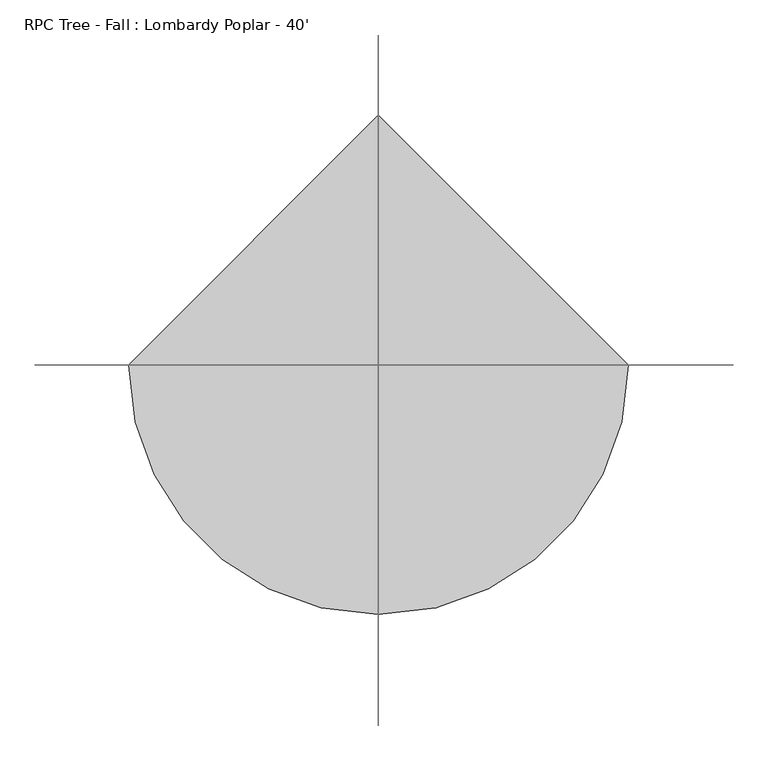
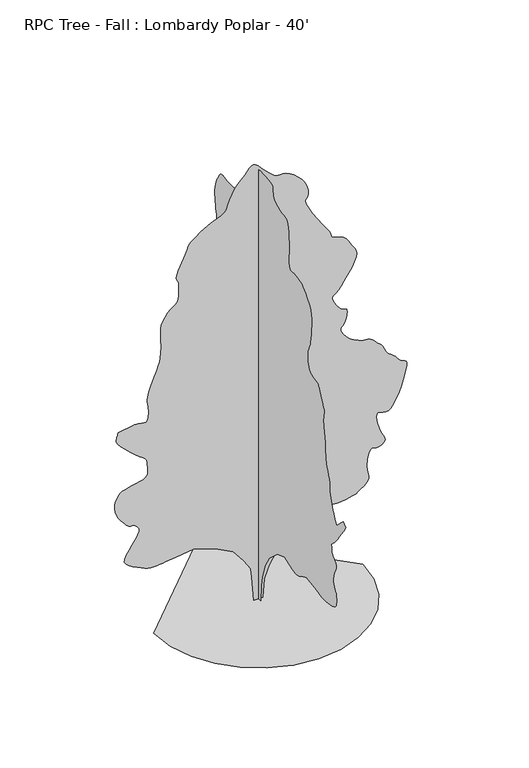
"""IFC4 building model written with IfcOpenShell, lengths in millimetres: geographic element geometry, RPC Tree - Fall : Lombardy Poplar - 40'."""

from ifc_helpers import new_model, si_unit, origin, place, context, project, spatial, triangles, source, transform, mapped, element, save


def rpc_tree_fall_lombardy_poplar_40_01077960(model_context):
    return source(origin(), model_context, "Body", "Tessellation", [
        triangles([(0.0009695, 113.8156909, 0.0), (0.0009695, -104.8345258, 0.0), (0.0009695, -123.055434, 437.3009239), (0.0009695, -177.7179314, 728.8340738), (0.0009695, -323.483707, 1129.6911467), (0.0009695, -505.6928613, 1439.4461494), (0.0009695, -870.1086628, 1767.420607), (0.0009695, -1216.3049732, 1894.9664555), (0.0009695, -1398.5142002, 1822.0838402), (0.0009695, -1476.390406, 1795.1523445), (0.0009695, -1552.9941605, 1770.6083485), (0.0009695, -1627.0451637, 1750.8472), (0.0009695, -1697.2735806, 1738.2588696), (0.0009695, -1762.3991112, 1735.2286766), (0.0009695, -1821.1516296, 1744.1542946), (0.0009695, -1872.2563591, 1767.420607), (0.0009695, -1919.1091679, 1797.0624023), (0.0009695, -1965.9644474, 1823.8364948), (0.0009695, -2012.8172562, 1848.2204716), (0.0009695, -2059.6700649, 1870.6891582), (0.0009695, -2106.5227283, 1891.7279903), (0.0009695, -2153.3780079, 1911.8067066), (0.0009695, -2200.2308167, 1931.4103065), (0.0009695, -2582.8711235, 1876.7470734), (0.0009695, -2649.2156204, 1861.2353748), (0.0009695, -2715.4080917, 1846.3611374), (0.0009695, -2781.27006, 1832.7619675), (0.0009695, -2846.6750793, 1821.0754715), (0.0009695, -2911.4196739, 1811.9366398), (0.0009695, -2975.3765259, 1805.987875), (0.0009695, -3038.3939003, 1803.8619873), (0.0009695, -3111.6472778, 1806.252103), (0.0009695, -3200.5217949, 1814.0625275), (0.0009695, -3296.0764275, 1828.2459641), (0.0009695, -3389.4213112, 1849.7596218), (0.0009695, -3471.5901329, 1879.5614365), (0.0009695, -3533.6930283, 1918.6062916), (0.0009695, -3566.7892639, 1967.8516869), (0.0009695, -3579.2353065, 2021.4507408), (0.0009695, -3585.9154221, 2073.1371208), (0.0009695, -3587.8205383, 2123.2333363), (0.0009695, -3585.9154221, 2172.0521587), (0.0009695, -3581.1401321, 2219.915807), (0.0009695, -3574.4347275, 2267.139378), (0.0009695, -3566.7892639, 2314.0455265), (0.0009695, -3532.0422569, 2353.5170998), (0.0009695, -3499.7078934, 2395.5361919), (0.0009695, -3472.1235306, 2442.6555542), (0.0009695, -3451.7273918, 2497.4231415), (0.0009695, -3440.907122, 2562.3988266), (0.0009695, -3441.9992065, 2640.0972816), (0.0009695, -3457.4677391, 2733.1372421), (0.0009695, -3484.5187042, 2825.1865654), (0.0009695, -3515.3799019, 2900.6752716), (0.0009695, -3544.9708282, 2963.0830902), (0.0009695, -3568.1862717, 3015.940329), (0.0009695, -3579.9210205, 3062.7525879), (0.0009695, -3575.0695724, 3106.9993057), (0.0009695, -3548.5775848, 3152.2110809), (0.0009695, -3509.7918709, 3193.1050964), (0.0009695, -3472.6063499, 3225.0836678), (0.0009695, -3438.6212151, 3252.6171616), (0.0009695, -3409.3857903, 3280.1253662), (0.0009695, -3386.5511375, 3312.1039375), (0.0009695, -3371.6668716, 3352.997953), (0.0009695, -3366.3581841, 3407.3030685), (0.0009695, -3362.7005585, 3460.5158089), (0.0009695, -3354.9027786, 3498.4634926), (0.0009695, -3347.7145546, 3525.8699593), (0.0009695, -3345.9620453, 3547.5360786), (0.0009695, -3354.4202499, 3568.2624298), (0.0009695, -3377.8388786, 3592.7987228), (0.0009695, -3421.0188011, 3625.9458275), (0.0009695, -3481.5215034, 3679.8698616), (0.0009695, -3552.5654228, 3760.5655174), (0.0009695, -3632.3465996, 3863.5624283), (0.0009695, -3719.1381042, 3984.4155167), (0.0009695, -3811.2130074, 4118.6541252), (0.0009695, -3906.7676399, 4261.8084686), (0.0009695, -4004.1003616, 4409.432888), (0.0009695, -3894.7788368, 4518.779702), (0.0009695, -3749.0086647, 4391.221209), (0.0009695, -3603.2382019, 4227.2390671), (0.0009695, -3579.7434151, 4258.785688), (0.0009695, -3555.9689941, 4292.2630051), (0.0009695, -3531.5088593, 4329.5499733), (0.0009695, -3506.1342453, 4372.5775795), (0.0009695, -3479.4643616, 4423.2506493), (0.0009695, -3451.1939941, 4483.4992973), (0.0009695, -3421.0188011, 4555.2033508), (0.0009695, -3390.0055779, 4628.5837555), (0.0009695, -3360.2623352, 4695.8683113), (0.0009695, -3333.0587631, 4762.2383881), (0.0009695, -3309.6910034, 4832.7233299), (0.0009695, -3291.4028755, 4912.4536377), (0.0009695, -3279.5158104, 5006.5351044), (0.0009695, -3275.248629, 5120.0473618), (0.0009695, -3267.0697678, 5234.8554703), (0.0009695, -3245.5050957, 5333.3820145), (0.0009695, -3215.0252701, 5421.7481323), (0.0009695, -3180.0747871, 5505.9238083), (0.0009695, -3145.0993057, 5592.0551788), (0.0009695, -3114.6191895, 5686.1110657), (0.0009695, -3093.0545174, 5794.238768), (0.0009695, -3079.5672592, 5892.1298859), (0.0009695, -3069.8899429, 5959.4403122), (0.0009695, -3063.4130127, 6007.9286316), (0.0009695, -3059.4760437, 6049.4319122), (0.0009695, -3057.4691895, 6095.6854843), (0.0009695, -3056.7073174, 6158.5246719), (0.0009695, -3056.6055794, 6249.735965), (0.0009695, -3052.5671631, 6343.1320084), (0.0009695, -3042.1532639, 6412.2958099), (0.0009695, -3027.9291321, 6468.709227), (0.0009695, -3012.4097305, 6523.8523727), (0.0009695, -2998.1858894, 6589.2065231), (0.0009695, -2987.7716995, 6676.2017944), (0.0009695, -2983.7332832, 6796.3688782), (0.0009695, -2989.2957344, 6908.7381821), (0.0009695, -3001.5638809, 6976.78461), (0.0009695, -3013.8576073, 7018.6948425), (0.0009695, -3019.4200584, 7052.6288177), (0.0009695, -3011.6222786, 7096.7737976), (0.0009695, -2983.7332832, 7169.2908829), (0.0009695, -2929.0723755, 7288.340593), (0.0009695, -2866.7410057, 7418.1088348), (0.0009695, -2818.7857933, 7514.4256302), (0.0009695, -2782.7688057, 7582.8528488), (0.0009695, -2756.3021072, 7628.9541046), (0.0009695, -2737.0233421, 7658.3418457), (0.0009695, -2722.5201576, 7676.5535248), (0.0009695, -2710.4043274, 7689.2027527), (0.0009695, -2636.5666832, 7701.2421341), (0.0009695, -2564.8117607, 7715.3901077), (0.0009695, -2497.1818771, 7733.6523651), (0.0009695, -2435.7748695, 7758.1380798), (0.0009695, -2382.6507866, 7790.9296829), (0.0009695, -2339.8900246, 7834.0584457), (0.0009695, -2309.5548122, 7889.6335419), (0.0009695, -2289.3160767, 7951.0257248), (0.0009695, -2274.8152176, 8010.5377899), (0.0009695, -2265.0921192, 8068.4243729), (0.0009695, -2259.1968395, 8125.0662643), (0.0009695, -2256.1691174, 8180.7425171), (0.0009695, -2255.0515984, 8235.7589264), (0.0009695, -2254.8940498, 8290.4707031), (0.0009695, -2285.970932, 8345.7405853), (0.0009695, -2316.0901691, 8404.491069), (0.0009695, -2344.2968777, 8470.25159), (0.0009695, -2369.6358833, 8546.5277481), (0.0009695, -2391.1521572, 8636.8495605), (0.0009695, -2407.8857288, 8744.6726303), (0.0009695, -2418.8812786, 8873.551973), (0.0009695, -2430.0903328, 9004.9206985), (0.0009695, -2443.8493767, 9121.3031296), (0.0009695, -2453.7833633, 9227.8303482), (0.0009695, -2453.5168098, 9329.5572784), (0.0009695, -2436.6765587, 9431.5888412), (0.0009695, -2396.8874176, 9539.0561188), (0.0009695, -2327.7766651, 9657.0390335), (0.0009695, -2247.8811058, 9768.2398041), (0.0009695, -2177.228587, 9854.8798645), (0.0009695, -2111.6764835, 9921.4269653), (0.0009695, -2047.0792637, 9972.3796692), (0.0009695, -1979.2969185, 10012.156311), (0.0009695, -1904.1815907, 10045.2519653), (0.0009695, -1817.5931259, 10076.1128723), (0.0009695, -1725.5334835, 10094.8326599), (0.0009695, -1638.891679, 10096.3058258), (0.0009695, -1560.8554539, 10092.3688568), (0.0009695, -1494.6124043, 10094.8326599), (0.0009695, -1443.3501263, 10115.4325653), (0.0009695, -1410.2540359, 10166.0038971), (0.0009695, -1398.5142002, 10258.3319824), (0.0009695, -1400.4267288, 10362.6756134), (0.0009695, -1404.8895378, 10448.1971375), (0.0009695, -1409.9898079, 10525.1087219), (0.0009695, -1413.8125397, 10603.619046), (0.0009695, -1414.4501461, 10693.9414398), (0.0009695, -1409.9898079, 10806.2345856), (0.0009695, -1398.5142002, 10950.7350677), (0.0009695, -1382.6849339, 11097.4458801), (0.0009695, -1365.5779839, 11211.9737732), (0.0009695, -1345.9235149, 11297.8255096), (0.0009695, -1322.4438435, 11358.4811096), (0.0009695, -1293.8637566, 11397.4694275), (0.0009695, -1258.9083321, 11418.297226), (0.0009695, -1216.3049732, 11424.470105), (0.0009695, -1155.4822323, 11429.9813965), (0.0009695, -1073.3006933, 11446.3641174), (0.0009695, -979.6484882, 11473.2380585), (0.0009695, -884.3986336, 11510.3218414), (0.0009695, -797.4393339, 11557.2608368), (0.0009695, -728.6460766, 11613.8015717), (0.0009695, -687.9020519, 11679.5615112), (0.0009695, -672.8677952, 11749.3607391), (0.0009695, -668.0341513, 11816.289212), (0.0009695, -663.5180752, 11877.4785004), (0.0009695, -649.4413908, 11930.0811035), (0.0009695, -615.9210531, 11971.2041748), (0.0009695, -553.0790314, 11997.9757965), (0.0009695, -451.0296281, 12007.5263763), (0.0009695, -327.7864603, 12011.2087097), (0.0009695, -210.2816959, 12019.0070709), (0.0009695, -102.0189364, 12026.1694244), (0.0009695, -6.5056406, 12027.9216431), (0.0009695, 72.7523407, 12019.4895996), (0.0009695, 132.2489498, 11996.0700989), (0.0009695, 168.4781792, 11952.8657593), (0.0009695, 190.2581361, 11903.7920105), (0.0009695, 211.0820467, 11861.400412), (0.0009695, 234.4553475, 11819.0076508), (0.0009695, 263.8852554, 11769.9094849), (0.0009695, 302.8767344, 11707.4505066), (0.0009695, 354.9364746, 11624.9008942), (0.0009695, 423.5697126, 11515.57966), (0.0009695, 499.5867296, 11399.1204895), (0.0009695, 572.09851, 11297.9778259), (0.0009695, 642.0601553, 11209.5867096), (0.0009695, 710.4292379, 11131.3798553), (0.0009695, 778.1582434, 11060.8446259), (0.0009695, 846.2072874, 10995.3881561), (0.0009695, 915.531399, 10932.4978088), (0.0009695, 983.7404623, 10880.5556305), (0.0009695, 1048.444289, 10847.0786041), (0.0009695, 1110.5954372, 10828.282077), (0.0009695, 1171.1565662, 10820.3069824), (0.0009695, 1231.077618, 10819.3407623), (0.0009695, 1291.3160923, 10821.5766724), (0.0009695, 1352.8322502, 10823.1765747), (0.0009695, 1419.1287849, 10828.7646057), (0.0009695, 1490.5254444, 10841.0324615), (0.0009695, 1563.194846, 10853.3014801), (0.0009695, 1633.3164379, 10858.8639313), (0.0009695, 1697.0626923, 10851.0655701), (0.0009695, 1750.6084064, 10823.1765747), (0.0009695, 1790.1333195, 10768.5159576), (0.0009695, 1824.1844387, 10700.9526398), (0.0009695, 1861.7408672, 10636.2333344), (0.0009695, 1899.617189, 10570.5745514), (0.0009695, 1934.6234825, 10500.1404785), (0.0009695, 1963.5743317, 10421.0953033), (0.0009695, 1983.2847565, 10329.6299561), (0.0009695, 1990.5617832, 10221.8830444), (0.0009695, 1988.4357502, 10111.0130676), (0.0009695, 1982.4871307, 10010.9877777), (0.0009695, 1973.3507698, 9919.2433777), (0.0009695, 1961.6642738, 9833.2381622), (0.0009695, 1948.0651039, 9750.4350769), (0.0009695, 1933.1908665, 9668.2656738), (0.0009695, 1917.6791679, 9584.1667374), (0.0009695, 1914.3314072, 9505.3761978), (0.0009695, 1931.0649788, 9438.0663528), (0.0009695, 1961.1842159, 9378.0967575), (0.0009695, 1997.9989746, 9321.3025497), (0.0009695, 2034.813588, 9263.5682831), (0.0009695, 2064.9328251, 9200.7290955), (0.0009695, 2081.6663967, 9128.6439606), (0.0009695, 2081.1888096, 9058.6668365), (0.0009695, 2066.6854797, 9001.7964706), (0.0009695, 2041.9840805, 8953.1808334), (0.0009695, 2010.9071983, 8908.0707962), (0.0009695, 1977.2826519, 8861.6904877), (0.0009695, 1944.9307022, 8809.2646179), (0.0009695, 1917.6791679, 8745.9934799), (0.0009695, 1901.8472855, 8673.7048691), (0.0009695, 1900.361475, 8598.2164536), (0.0009695, 1911.9412914, 8520.8229218), (0.0009695, 1935.3142834, 8442.7939636), (0.0009695, 1969.2055286, 8365.374852), (0.0009695, 2012.3422852, 8289.8864365), (0.0009695, 2063.4443985, 8217.5978256), (0.0009695, 2116.1951031, 8158.060762), (0.0009695, 2166.3955273, 8113.7884644), (0.0009695, 2215.9584904, 8075.6123062), (0.0009695, 2266.796521, 8034.2101822), (0.0009695, 2320.8222931, 7980.4134659), (0.0009695, 2379.9457191, 7904.924469), (0.0009695, 2446.0820892, 7798.5239868), (0.0009695, 2515.4595406, 7684.1478287), (0.0009695, 2583.8870499, 7588.5931961), (0.0009695, 2652.6194824, 7508.3039108), (0.0009695, 2722.9518173, 7439.8511124), (0.0009695, 2796.1546165, 7379.653624), (0.0009695, 2873.4972794, 7324.2558426), (0.0009695, 2956.2759476, 7270.103334), (0.0009695, 3039.9940933, 7227.3042023), (0.0009695, 3119.5720848, 7202.0063278), (0.0009695, 3195.3148453, 7185.0137604), (0.0009695, 3267.5522964, 7167.0555542), (0.0009695, 3336.6149414, 7138.9125046), (0.0009695, 3402.807122, 7091.3130844), (0.0009695, 3466.4593414, 7015.0113464), (0.0009695, 3525.2604034, 6921.5903046), (0.0009695, 3575.4506538, 6829.7441666), (0.0009695, 3615.1508469, 6741.0728348), (0.0009695, 3642.3797081, 6657.2023727), (0.0009695, 3655.3082794, 6579.6815231), (0.0009695, 3651.9552864, 6510.1619293), (0.0009695, 3630.4414833, 6450.1673355), (0.0009695, 3590.004998, 6392.5348068), (0.0009695, 3534.6075073, 6330.4316208), (0.0009695, 3469.3295151, 6266.1192673), (0.0009695, 3399.2512344, 6201.7813339), (0.0009695, 3329.5028755, 6139.6781479), (0.0009695, 3265.1646515, 6082.0456192), (0.0009695, 3211.3676445, 6031.0934967), (0.0009695, 3161.7869499, 5985.0939789), (0.0009695, 3109.3613708, 5939.7298874), (0.0009695, 3057.8758507, 5893.4001572), (0.0009695, 3011.1906189, 5844.5304657), (0.0009695, 2973.1159081, 5791.5209106), (0.0009695, 2947.4366615, 5732.7710083), (0.0009695, 2938.0386887, 5666.680275), (0.0009695, 2934.1778778, 5597.4141541), (0.0009695, 2924.8816429, 5529.7235184), (0.0009695, 2913.6547119, 5463.0235199), (0.0009695, 2904.0535538, 5396.6025742), (0.0009695, 2899.5323181, 5329.8764145), (0.0009695, 2903.6218941, 5262.2113586), (0.0009695, 2919.8270096, 5192.9452377), (0.0009695, 2944.8458313, 5126.3719757), (0.0009695, 2972.7351173, 5066.5046997), (0.0009695, 3003.0117577, 5012.2248734), (0.0009695, 3035.1935143, 4962.3901245), (0.0009695, 3068.8231476, 4915.908078), (0.0009695, 3103.4178383, 4871.6613602), (0.0009695, 3138.4697685, 4828.5323067), (0.0009695, 3181.1415825, 4835.3141602), (0.0009695, 3222.035598, 4836.0760323), (0.0009695, 3259.4243042, 4824.696785), (0.0009695, 3291.5807716, 4795.1567276), (0.0009695, 3316.7013313, 4741.4102989), (0.0009695, 3333.0587631, 4657.3619408), (0.0009695, 3338.9008484, 4536.9916718), (0.0009695, 3338.9008484, 3935.6984322), (0.0009695, 3345.6065437, 3757.6444748), (0.0009695, 3361.2273926, 3611.1377197), (0.0009695, 3379.0582809, 3492.0371407), (0.0009695, 3392.4440918, 3396.2031647), (0.0009695, 3394.6791298, 3319.4953468), (0.0009695, 3379.0582809, 3257.747953), (0.0009695, 3338.9008484, 3206.8719887), (0.0009695, 3281.573243, 3178.2461197), (0.0009695, 3221.7053856, 3174.1568344), (0.0009695, 3163.4380119, 3176.747374), (0.0009695, 3110.9106949, 3168.187722), (0.0009695, 3068.2388809, 3130.6466995), (0.0009695, 3039.6130119, 3046.21726), (0.0009695, 3029.1482437, 2897.119384), (0.0009695, 3036.0571243, 2732.8070297), (0.0009695, 3053.1514297, 2608.9823204), (0.0009695, 3075.0460236, 2517.0268867), (0.0009695, 3096.3057724, 2448.3400909), (0.0009695, 3111.4949615, 2394.3144642), (0.0009695, 3115.2034561, 2346.3441364), (0.0009695, 3102.0208305, 2295.8261444), (0.0009695, 3089.0669701, 2254.1778145), (0.0009695, 3089.803553, 2232.6106716), (0.0009695, 3093.4355988, 2222.1992432), (0.0009695, 3089.0669701, 2214.0179111), (0.0009695, 3065.9021049, 2199.1436737), (0.0009695, 3013.0954445, 2168.6510582), (0.0009695, 2919.8270096, 2113.6169174), (0.0009695, 2822.3419716, 2052.8450455), (0.0009695, 2753.55867, 2008.9666191), (0.0009695, 2697.5010452, 1978.7940422), (0.0009695, 2638.2683235, 1959.1395733), (0.0009695, 2559.9350235, 1946.8154709), (0.0009695, 2446.5088074, 1938.6341389), (0.0009695, 2282.0948605, 1931.4103065), (0.0009695, 2105.8903542, 1933.6938881), (0.0009695, 1963.4702682, 1951.9132702), (0.0009695, 1848.4591198, 1979.6982021), (0.0009695, 1754.4869488, 2010.665934), (0.0009695, 1675.1755108, 2038.4483952), (0.0009695, 1604.1522297, 2056.670248), (0.0009695, 1535.0414772, 2058.9536842), (0.0009695, 1460.510416, 2049.0198429), (0.0009695, 1378.3312752, 2035.2631245), (0.0009695, 1289.7769421, 2018.3163391), (0.0009695, 1196.1221935, 1998.8218895), (0.0009695, 1098.6447859, 1977.4122952), (0.0009695, 998.6146271, 1954.7301041), (0.0009695, 897.3120169, 1931.4103065), (0.0009695, 532.8936719, 1639.8747585), (0.0009695, 314.2457534, 1166.1349977), (0.0009695, 168.4781792, 601.2881527), (120.1776209, 0.0005334, 0.0085345), (-116.69275, 0.0005334, 0.0085345), (-171.3552383, 0.0004849, 655.9590162), (-207.7973272, 0.0004849, 911.0508585), (-390.006209, 0.0004607, 1202.5839357), (-663.3174334, 0.0004364, 1548.7803188), (-1137.0596649, 0.0004122, 1803.8721611), (-1720.1284355, 0.0004122, 1986.078772), (-2193.8681236, 0.0004122, 1931.4180096), (-2467.1819641, 0.0004122, 1894.9766293), (-2533.7959213, 0.0004122, 1885.46689), (-2607.4327057, 0.0004122, 1874.6820831), (-2686.1473778, 0.0004122, 1865.812421), (-2768.0621452, 0.0004122, 1862.0405582), (-2851.2468933, 0.0004122, 1866.556707), (-2933.7967964, 0.0004122, 1882.5459927), (-3013.8067383, 0.0004122, 1913.1960114), (-3104.2814484, 0.0004122, 1955.5886272), (-3210.9865631, 0.0004122, 2004.6715324), (-3321.222567, 0.0004122, 2060.4522846), (-3422.2126236, 0.0004122, 2122.9234715), (-3501.2066391, 0.0003879, 2192.0875637), (-3545.4533569, 0.0003879, 2267.9445614), (-3542.2021019, 0.0003879, 2350.4969353), (-3495.1869484, 0.0003879, 2447.2326004), (-3424.930481, 0.0003879, 2559.9094437), (-3343.8031654, 0.0003637, 2679.898922), (-3264.2757523, 0.0003637, 2798.6437088), (-3198.7692856, 0.0003637, 2907.4824142), (-3159.7295174, 0.0003394, 2997.8300972), (-3159.5772011, 0.0003394, 3061.1015259), (-3182.9958298, 0.0003394, 3103.1893639), (-3206.4147491, 0.0003394, 3136.6411011), (-3229.8589577, 0.0003394, 3162.9554832), (-3253.2775864, 0.0003394, 3183.5039383), (-3276.6962151, 0.0003394, 3199.7599228), (-3300.1404236, 0.0003394, 3213.1457336), (-3323.559343, 0.0003394, 3225.1089569), (-3347.1558678, 0.0003394, 3221.5783585), (-3371.6921608, 0.0003394, 3220.486274), (-3398.1335701, 0.0003394, 3224.1438995), (-3427.4704422, 0.0003394, 3234.9897491), (-3460.6175468, 0.0003394, 3255.3858879), (-3498.5396507, 0.0003394, 3287.7199608), (-3542.2021019, 0.0003394, 3334.4304817), (-3593.6370438, 0.0003394, 3395.5174507), (-3650.1519081, 0.0003152, 3468.3897469), (-3705.7270042, 0.0003152, 3551.4730476), (-3754.2664833, 0.0003152, 3643.1668694), (-3789.7500732, 0.0003152, 3741.8713097), (-3806.1330849, 0.0002909, 3845.9855942), (-3797.2937988, 0.0002909, 3953.9354004), (-3771.4366562, 0.0002909, 4051.5730453), (-3739.8138771, 0.0002909, 4128.1791252), (-3701.2057686, 0.0002909, 4187.2342415), (-3654.2920624, 0.0002667, 4232.2937004), (-3597.828067, 0.0002667, 4266.812233), (-3530.518222, 0.0002667, 4294.3457268), (-3451.117836, 0.0002667, 4318.3486221), (-3356.8078949, 0.0002667, 4338.3131012), (-3252.3378181, 0.0002667, 4355.4326958), (-3147.5122398, 0.0002667, 4375.7270966), (-3052.2622398, 0.0002667, 4405.2674446), (-2976.4689011, 0.0002667, 4450.0981384), (-2929.9868546, 0.0002667, 4516.2906097), (-2922.6971832, 0.0002667, 4609.8895477), (-2933.5936111, 0.0002425, 4707.6283493), (-2938.4197701, 0.0002425, 4784.9713028), (-2942.3058701, 0.0002425, 4846.0582718), (-2950.332415, 0.0002425, 4895.0291199), (-2967.578746, 0.0002425, 4936.0504532), (-2999.2018158, 0.0002425, 4973.2359741), (-3050.2556763, 0.0002425, 5010.7517075), (-3135.4978569, 0.0002182, 5072.041571), (-3254.8777794, 0.0002182, 5168.7141586), (-3391.1232422, 0.0002182, 5287.0778641), (-3527.0637817, 0.0002182, 5413.3916656), (-3645.4783562, 0.000194, 5533.9906998), (-3729.1459236, 0.000194, 5635.1333633), (-3760.8704407, 0.000194, 5703.129213), (-3759.2702477, 0.000194, 5747.3247711), (-3754.799881, 0.000194, 5786.7456207), (-3747.9418694, 0.000194, 5822.178923), (-3739.1787415, 0.0001697, 5854.4112579), (-3728.9933167, 0.0001697, 5884.2815277), (-3717.8428345, 0.0001697, 5912.5263153), (-3706.2095329, 0.0001697, 5940.0089401), (-3268.8984352, 0.0001697, 6012.8818176), (-3174.1312546, 0.0001697, 6014.48172), (-3093.0545174, 0.0001697, 5998.8605804), (-3026.0240158, 0.0001697, 5982.2743835), (-2973.319384, 0.0001697, 5981.0046936), (-2935.2955421, 0.0001697, 6011.2813339), (-2912.232415, 0.0001697, 6089.3864502), (-2904.4852135, 0.0001697, 6231.5242859), (-2910.9624344, 0.0001455, 6377.1421417), (-2925.0848282, 0.0001455, 6470.4870255), (-2938.9022987, 0.0001455, 6535.1301727), (-2944.4394608, 0.0001455, 6594.6678177), (-2933.6953491, 0.0001212, 6672.7217743), (-2898.7448662, 0.0001212, 6792.8126999), (-2831.5873375, 0.0001212, 6978.5879883), (-2754.346122, 9.7e-05, 7175.5649185), (-2693.3861801, 9.7e-05, 7325.0435852), (-2647.0567406, 9.7e-05, 7444.2456116), (-2613.8081886, 7.27e-05, 7550.3920395), (-2592.0150421, 7.27e-05, 7660.678331), (-2580.127977, 7.27e-05, 7792.3011108), (-2576.4956406, 4.85e-05, 7962.5064194), (-2580.0009499, 4.85e-05, 8135.9626923), (-2586.7063545, 4.85e-05, 8272.4363388), (-2590.8467995, 2.42e-05, 8381.8087326), (-2586.7063545, 2.42e-05, 8473.985083), (-2568.5455444, 2.42e-05, 8558.8211838), (-2530.6106506, 2.42e-05, 8646.1972458), (-2467.1819641, 0.0, 8746.0190598), (-2393.5550629, 0.0, 8838.8046753), (-2328.8511635, 0.0, 8903.8797729), (-2273.0728821, 0.0, 8949.1932861), (-2226.2200733, 0.0, 8982.7208908), (-2188.2902664, 0.0, 9012.4138458), (-2159.2860775, 0.0, 9046.2460831), (-2139.2048904, 0.0, 9092.1950226), (-2125.7124001, -2.42e-05, 9135.3493652), (-2116.0452576, -2.42e-05, 9162.8575699), (-2109.5630951, -2.42e-05, 9185.920697), (-2105.6338291, -2.42e-05, 9215.6642303), (-2103.6144756, -2.42e-05, 9263.2636505), (-2102.8701897, -2.42e-05, 9339.8700211), (-2102.7661263, -2.42e-05, 9456.6332428), (-2113.0708752, -4.85e-05, 9567.5549606), (-2136.1264446, -4.85e-05, 9634.4840149), (-2160.137043, -4.85e-05, 9680.3817947), (-2173.3094948, -4.85e-05, 9728.1846909), (-2163.855566, -4.85e-05, 9800.8540924), (-2119.9745235, -7.27e-05, 9921.3258087), (-2029.8808949, -7.27e-05, 10112.5618103), (-1939.4672276, -7.27e-05, 10305.830246), (-1888.8958958, -9.7e-05, 10431.5097839), (-1857.7656738, -9.7e-05, 10511.3165405), (-1825.6805683, -9.7e-05, 10566.8654755), (-1772.2389175, -9.7e-05, 10619.9006104), (-1677.0450188, -9.7e-05, 10692.0369049), (-1519.6973557, -0.0001212, 10804.9648956), (-1341.6868549, -0.0001212, 10917.309201), (-1195.5481733, -0.0001212, 10985.3806274), (-1077.4586517, -0.0001212, 11027.29086), (-983.5905441, -0.0001212, 11061.2248352), (-910.1237349, -0.0001212, 11105.3698151), (-853.2303326, -0.0001455, 11177.8874817), (-809.0852074, -0.0001455, 11296.9371918), (-759.9464916, -0.0001455, 11440.4714539), (-694.8717573, -0.0001697, 11572.8563965), (-620.2365601, -0.0001697, 11691.8293671), (-542.413585, -0.0001697, 11795.2079407), (-467.775808, -0.0001697, 11880.7294647), (-402.7036534, -0.0001697, 11946.1847717), (-353.5649014, -0.000194, 11989.3146973), (-315.2642959, -0.000194, 12029.8529205), (-276.9611651, -0.000194, 12081.541626), (-236.4299363, -0.000194, 12133.2303314), (-191.4351718, -0.000194, 12173.7685547), (-139.7475292, -0.000194, 12191.9802338), (-79.1353495, -0.000194, 12176.7404663), (-7.3676139, -0.000194, 12116.8731903), (68.4904824, -0.000194, 12035.3130524), (139.8862108, -0.000194, 11962.0605469), (206.8199341, -0.0001697, 11896.4517609), (269.290376, -0.0001697, 11837.8797546), (327.3013518, -0.0001697, 11785.6573608), (380.8469934, -0.0001697, 11739.1753143), (429.9324057, -0.0001697, 11697.7987701), (477.3160323, -0.0001697, 11672.4491547), (527.8899076, -0.0001697, 11666.8622864), (584.8366133, -0.0001697, 11669.5795624), (651.343891, -0.0001697, 11669.0970337), (730.6019165, -0.0001697, 11653.9584229), (825.7958879, -0.0001697, 11612.684198), (940.1160175, -0.0001455, 11533.7913391), (1053.1051964, -0.0001455, 11434.3508972), (1143.4680674, -0.0001455, 11338.4148926), (1213.1096741, -0.0001455, 11245.0194305), (1263.9477047, -0.0001455, 11153.2238708), (1297.8921444, -0.0001212, 11062.0631561), (1316.8558125, -0.0001212, 10970.5978088), (1322.7537083, -0.0001212, 10877.8371918), (1310.6404942, -0.0001212, 10807.3019623), (1283.8688725, -0.0001212, 10768.6426941), (1256.7747414, -0.0001212, 10740.1444336), (1243.7064983, -9.7e-05, 10700.2154755), (1259.0074539, -9.7e-05, 10627.1141235), (1317.0158318, -9.7e-05, 10499.1998383), (1432.0777039, -7.27e-05, 10294.7809204), (1568.3356659, -7.27e-05, 10074.4362305), (1681.0074223, -4.85e-05, 9906.365094), (1771.0503273, -4.85e-05, 9780.3565063), (1839.4167938, -4.85e-05, 9686.22388), (1887.067083, -4.85e-05, 9613.757373), (1914.9562237, -4.85e-05, 9552.772142), (1924.041861, -2.42e-05, 9493.0571823), (1943.5896503, -2.42e-05, 9444.2892288), (1995.6494087, -2.42e-05, 9415.2822784), (2070.3380184, -2.42e-05, 9394.5812164), (2157.7773033, -2.42e-05, 9370.6797684), (2248.0842911, -2.42e-05, 9332.0972397), (2331.3809509, -2.42e-05, 9267.4035141), (2397.7841652, -2.42e-05, 9165.0928986), (2454.6240097, 0.0, 9055.2379761), (2511.1467224, 0.0, 8968.9542892), (2560.341394, 0.0, 8896.3866257), (2595.190139, 0.0, 8827.6541931), (2608.6773972, 0.0, 8752.8512009), (2593.7931313, 2.42e-05, 8662.1230179), (2543.5520119, 2.42e-05, 8545.5876892), (2481.3447624, 2.42e-05, 8432.1260101), (2431.8886242, 2.42e-05, 8349.5508179), (2390.080275, 2.42e-05, 8286.457576), (2350.8220608, 4.85e-05, 8231.3138489), (2309.0163277, 4.85e-05, 8172.6656845), (2259.5600441, 4.85e-05, 8099.0312256), (2197.3530853, 4.85e-05, 7998.9553574), (2127.0206051, 4.85e-05, 7904.0355698), (2060.8307499, 7.27e-05, 7844.1677124), (2005.159148, 7.27e-05, 7805.3311295), (1966.378521, 7.27e-05, 7773.5051651), (1950.8666771, 7.27e-05, 7734.6685822), (1964.9992447, 7.27e-05, 7674.8007248), (2015.1464745, 7.27e-05, 7579.8815186), (2080.6452381, 7.27e-05, 7478.1545883), (2137.5387131, 9.7e-05, 7404.1387573), (2187.2590794, 9.7e-05, 7353.262793), (2231.2468014, 9.7e-05, 7320.852562), (2270.9265015, 9.7e-05, 7302.3106705), (2307.7412601, 9.7e-05, 7293.0141449), (2343.1207867, 9.7e-05, 7288.340593), (2346.839455, 9.7e-05, 7260.6544922), (2349.4429298, 9.7e-05, 7230.9109589), (2349.8136921, 9.7e-05, 7197.027562), (2346.839455, 9.7e-05, 7156.9212891), (2339.4022636, 9.7e-05, 7108.5341263), (2326.3873604, 0.0001212, 7049.7842239), (2306.6795517, 0.0001212, 6978.5879883), (2277.832766, 0.0001212, 6914.427951), (2243.2507198, 0.0001212, 6871.273027), (2210.5813477, 0.0001212, 6838.9901138), (2187.4724384, 0.0001212, 6807.3158844), (2181.5771587, 0.0001212, 6766.0922379), (2200.5406815, 0.0001212, 6705.1064255), (2252.0163185, 0.0001455, 6614.1747665), (2322.1379105, 0.0001455, 6519.5090332), (2391.3020027, 0.0001455, 6450.3452316), (2458.553421, 0.0001455, 6400.9424332), (2522.9372818, 0.0001455, 6365.5602905), (2583.5059685, 0.0001455, 6338.4584564), (2639.2842499, 0.0001455, 6313.9221634), (2689.322184, 0.0001455, 6286.184903), (2738.2427444, 0.0001455, 6263.7822006), (2790.6680328, 0.0001455, 6254.1048843), (2845.659153, 0.0001697, 6249.8632828), (2902.2248863, 0.0001697, 6243.6909851), (2959.4507538, 0.0001697, 6228.2989014), (3016.3466995, 0.0001697, 6196.3200394), (3071.9473755, 0.0001697, 6140.4403107), (3121.4519119, 0.0001697, 6084.0774719), (3162.3712166, 0.0001697, 6048.746489), (3197.2199615, 0.0001697, 6024.2607742), (3228.5633972, 0.0001697, 6000.4104858), (3258.9417755, 0.0001697, 5966.9840378), (3290.9203468, 0.0001697, 5913.8215851), (3327.0390724, 0.000194, 5830.687706), (3367.3235321, 0.000194, 5746.3091354), (3410.4525856, 0.000194, 5689.0573975), (3457.0869484, 0.000194, 5648.0366455), (3507.8614655, 0.000194, 5612.4510269), (3563.4365616, 0.000194, 5571.430275), (3624.4217926, 0.000194, 5514.178537), (3691.4522942, 0.0002182, 5429.8255463), (3759.9306725, 0.0002182, 5354.920816), (3822.0335678, 0.0002182, 5319.208461), (3873.620826, 0.0002182, 5301.6827866), (3910.5270035, 0.0002182, 5281.2863571), (3928.6625244, 0.0002182, 5236.989061), (3923.8110764, 0.0002182, 5147.7334625), (3891.883374, 0.0002425, 4992.5144485), (3839.8897453, 0.0002425, 4801.4304726), (3779.2600159, 0.0002667, 4621.8274818), (3712.6105957, 0.0002667, 4458.4801849), (3642.4302864, 0.0002667, 4316.1641624), (3571.3104996, 0.0002909, 4199.6799934), (3501.7653259, 0.0002909, 4113.777388), (3436.3605972, 0.0002909, 4063.2569252), (3368.5935127, 0.0002909, 4052.055574), (3295.6956367, 0.0002909, 4067.2956322), (3225.9981468, 0.0002909, 4088.6059593), (3167.7813515, 0.0002909, 4095.5657089), (3129.3258499, 0.0002909, 4067.7781609), (3118.9119507, 0.0002909, 3984.8471764), (3144.8452515, 0.0002909, 3826.3769073), (3196.8388802, 0.0003152, 3648.5264259), (3252.998243, 0.0003152, 3514.6686081), (3304.0521034, 0.0003152, 3415.2278755), (3340.7550957, 0.0003394, 3340.6280685), (3353.8615631, 0.0003394, 3281.3444778), (3334.1764275, 0.0003394, 3227.8015251), (3272.3784554, 0.0003394, 3170.4230507), (3191.911274, 0.0003394, 3134.2534561), (3121.6295174, 0.0003394, 3135.3711205), (3060.5934174, 0.0003394, 3150.839653), (3007.8379166, 0.0003394, 3157.6976646), (2962.4226654, 0.0003394, 3132.9834755), (2923.3828972, 0.0003394, 3053.7862747), (2889.7532639, 0.0003637, 2897.119384), (2876.0881096, 0.0003637, 2719.1165863), (2887.6196732, 0.0003879, 2584.1155243), (2909.3366615, 0.0003879, 2481.6546272), (2926.3039398, 0.0003879, 2401.1749466), (2923.4846352, 0.0003879, 2332.1708736), (2885.9180328, 0.0003879, 2264.1218296), (2798.6437088, 0.0003879, 2186.5098518), (2701.5906212, 0.0004122, 2115.113047), (2635.7792313, 0.0004122, 2068.2602383), (2587.7987297, 0.0004122, 2039.2560493), (2544.2885948, 0.0004122, 2021.4075748), (2491.8603996, 0.0004122, 2008.0191479), (2417.1185955, 0.0004122, 1992.4007698), (2306.6795517, 0.0004122, 1967.8592445), (2182.1079403, 0.0004122, 1946.8763683), (2070.9247559, 0.0004122, 1942.7844669), (1968.6644279, 0.0004122, 1950.1707893), (1870.8670544, 0.0004122, 1963.60994), (1773.0695354, 0.0004122, 1977.6865517), (1670.8093529, 0.0004122, 1986.9829319), (1559.6260231, 0.0004122, 1986.078772), (1454.709026, 0.0004122, 1976.1447853), (1371.7857445, 0.0004122, 1962.3882122), (1307.1885246, 0.0004122, 1945.4412815), (1257.2547993, 0.0004122, 1925.9468319), (1218.3166964, 0.0004122, 1904.5372375), (1186.70896, 0.0004122, 1881.8550465), (1158.7664795, 0.0004122, 1858.5353943), (1158.4464409, 0.0004364, 1761.2688023), (1156.2163445, 0.0004364, 1666.0722874), (1150.1584293, 0.0004364, 1575.0234844), (1138.3677246, 0.0004364, 1490.1876743), (1118.9240713, 0.0004364, 1413.6372597), (1089.9198824, 0.0004607, 1347.4475498), (1049.4399405, 0.0004607, 1293.6884766), (1004.179767, 0.0004607, 1251.6160446), (961.7897673, 0.0004607, 1218.1490467), (921.7874125, 0.0004607, 1191.8550121), (883.7001297, 0.0004607, 1171.2962379), (847.045463, 0.0004607, 1155.0403261), (811.3483686, 0.0004607, 1141.6519718), (776.1287888, 0.0004607, 1129.7013205), (466.3737496, 0.0004607, 1129.7013205), (284.1645772, 0.0004849, 856.3875526), (156.6199641, 0.0005092, 510.1912059), (-2766.0555817, 0.0, 0.0100862), (-2692.9292313, -633.8001217, 0.0100862), (-2484.680024, -1215.8427195, 0.0100862), (-2157.9602863, -1729.4553371, 0.0100862), (-1729.4553371, -2157.9602863, 0.0100862), (-1215.8427195, -2484.680024, 0.0100862), (-633.8001217, -2692.9292313, 0.0100862), (0.0001209, -2766.0555817, 0.0100862), (633.8001217, -2692.9292313, 0.0100862), (1215.8427195, -2484.680024, 0.0100862), (1729.4553371, -2157.9602863, 0.0100862), (2157.9602863, -1729.4553371, 0.0100862), (2484.680024, -1215.8427195, 0.0100862), (2692.9292313, -633.8001217, 0.0100862), (2766.0555817, 0.0002425, 0.0100862), (-0.0003627, 2766.0555817, 0.0100862)], [[1, 2, 3], [388, 1, 3], [388, 3, 4], [387, 388, 4], [387, 4, 5], [80, 81, 82], [79, 80, 82], [79, 82, 83], [78, 79, 83], [77, 78, 83], [387, 5, 6], [386, 387, 6], [76, 77, 83], [386, 6, 7], [359, 360, 361], [359, 361, 362], [385, 386, 7], [75, 76, 83], [75, 83, 84], [75, 84, 85], [74, 75, 85], [73, 74, 85], [73, 85, 86], [72, 73, 86], [72, 86, 87], [358, 359, 362], [358, 362, 363], [72, 87, 88], [131, 132, 133], [71, 72, 88], [130, 131, 133], [129, 130, 133], [71, 88, 89], [44, 45, 46], [128, 129, 133], [71, 89, 90], [207, 208, 209], [207, 209, 210], [206, 207, 210], [205, 206, 210], [205, 210, 211], [205, 211, 212], [204, 205, 212], [204, 212, 213], [203, 204, 213], [203, 213, 214], [203, 214, 215], [202, 203, 215], [202, 215, 216], [201, 202, 216], [200, 201, 216], [199, 200, 216], [198, 199, 216], [197, 198, 216], [196, 197, 216], [195, 196, 216], [194, 195, 216], [194, 216, 217], [193, 194, 217], [193, 217, 218], [193, 218, 219], [192, 193, 219], [192, 219, 220], [191, 192, 220], [191, 220, 221], [191, 221, 222], [190, 191, 222], [190, 222, 223], [128, 133, 134], [127, 128, 134], [71, 90, 91], [235, 236, 237], [234, 235, 237], [233, 234, 237], [233, 237, 238], [232, 233, 238], [232, 238, 239], [231, 232, 239], [231, 239, 240], [231, 240, 241], [231, 241, 242], [230, 231, 242], [230, 242, 243], [230, 243, 244], [230, 244, 245], [229, 230, 245], [229, 245, 246], [228, 229, 246], [228, 246, 247], [227, 228, 247], [227, 247, 248], [227, 248, 249], [226, 227, 249], [226, 249, 250], [226, 250, 251], [225, 226, 251], [225, 251, 252], [224, 225, 252], [71, 91, 92], [189, 190, 223], [330, 331, 332], [330, 332, 333], [329, 330, 333], [329, 333, 334], [328, 329, 334], [328, 334, 335], [328, 335, 336], [327, 328, 336], [385, 7, 8], [342, 343, 344], [341, 342, 344], [341, 344, 345], [340, 341, 345], [340, 345, 346], [339, 340, 346], [339, 346, 347], [338, 339, 347], [337, 338, 347], [337, 347, 348], [336, 337, 348], [327, 336, 348], [326, 327, 348], [325, 326, 348], [324, 325, 348], [323, 324, 348], [126, 127, 134], [126, 134, 135], [357, 358, 363], [357, 363, 364], [356, 357, 364], [355, 356, 364], [354, 355, 364], [353, 354, 364], [353, 364, 365], [352, 353, 365], [352, 365, 366], [352, 366, 367], [352, 367, 368], [352, 368, 369], [352, 369, 370], [351, 352, 370], [351, 370, 371], [351, 371, 372], [350, 351, 372], [350, 372, 373], [350, 373, 374], [350, 374, 375], [350, 375, 376], [349, 350, 376], [349, 376, 377], [348, 349, 377], [323, 348, 377], [323, 377, 378], [323, 378, 379], [323, 379, 380], [322, 323, 380], [322, 380, 381], [322, 381, 382], [321, 322, 382], [321, 382, 383], [321, 383, 384], [321, 384, 385], [321, 385, 8], [320, 321, 8], [319, 320, 8], [318, 319, 8], [317, 318, 8], [316, 317, 8], [315, 316, 8], [314, 315, 8], [313, 314, 8], [57, 58, 59], [56, 57, 59], [56, 59, 60], [55, 56, 60], [55, 60, 61], [54, 55, 61], [54, 61, 62], [53, 54, 62], [53, 62, 63], [53, 63, 64], [52, 53, 64], [36, 37, 38], [36, 38, 39], [35, 36, 39], [35, 39, 40], [35, 40, 41], [34, 35, 41], [34, 41, 42], [34, 42, 43], [33, 34, 43], [33, 43, 44], [33, 44, 46], [33, 46, 47], [32, 33, 47], [32, 47, 48], [31, 32, 48], [30, 31, 48], [30, 48, 49], [29, 30, 49], [28, 29, 49], [27, 28, 49], [26, 27, 49], [26, 49, 50], [25, 26, 50], [24, 25, 50], [24, 50, 51], [23, 24, 51], [23, 51, 52], [23, 52, 64], [23, 64, 65], [23, 65, 66], [23, 66, 67], [23, 67, 68], [23, 68, 69], [23, 69, 70], [22, 23, 70], [21, 22, 70], [20, 21, 70], [19, 20, 70], [18, 19, 70], [125, 126, 135], [125, 135, 136], [189, 223, 224], [189, 224, 252], [189, 252, 253], [188, 189, 253], [187, 188, 253], [186, 187, 253], [185, 186, 253], [184, 185, 253], [183, 184, 253], [182, 183, 253], [181, 182, 253], [180, 181, 253], [179, 180, 253], [178, 179, 253], [177, 178, 253], [176, 177, 253], [175, 176, 253], [174, 175, 253], [173, 174, 253], [172, 173, 253], [172, 253, 254], [172, 254, 255], [172, 255, 256], [172, 256, 257], [172, 257, 258], [172, 258, 259], [172, 259, 260], [172, 260, 261], [172, 261, 262], [172, 262, 263], [172, 263, 264], [172, 264, 265], [172, 265, 266], [172, 266, 267], [172, 267, 268], [172, 268, 269], [171, 172, 269], [171, 269, 270], [171, 270, 271], [170, 171, 271], [170, 271, 272], [169, 170, 272], [168, 169, 272], [167, 168, 272], [166, 167, 272], [165, 166, 272], [164, 165, 272], [163, 164, 272], [162, 163, 272], [161, 162, 272], [160, 161, 272], [159, 160, 272], [158, 159, 272], [157, 158, 272], [156, 157, 272], [155, 156, 272], [154, 155, 272], [153, 154, 272], [152, 153, 272], [151, 152, 272], [150, 151, 272], [149, 150, 272], [148, 149, 272], [147, 148, 272], [146, 147, 272], [145, 146, 272], [144, 145, 272], [143, 144, 272], [142, 143, 272], [141, 142, 272], [140, 141, 272], [139, 140, 272], [138, 139, 272], [138, 272, 273], [138, 273, 274], [137, 138, 274], [137, 274, 275], [137, 275, 276], [137, 276, 277], [137, 277, 278], [137, 278, 279], [137, 279, 280], [137, 280, 281], [137, 281, 282], [137, 282, 283], [136, 137, 283], [125, 136, 283], [124, 125, 283], [123, 124, 283], [122, 123, 283], [121, 122, 283], [120, 121, 283], [119, 120, 283], [118, 119, 283], [117, 118, 283], [116, 117, 283], [115, 116, 283], [114, 115, 283], [113, 114, 283], [112, 113, 283], [111, 112, 283], [110, 111, 283], [109, 110, 283], [108, 109, 283], [107, 108, 283], [106, 107, 283], [105, 106, 283], [104, 105, 283], [103, 104, 283], [103, 283, 284], [102, 103, 284], [102, 284, 285], [101, 102, 285], [100, 101, 285], [99, 100, 285], [98, 99, 285], [97, 98, 285], [96, 97, 285], [95, 96, 285], [94, 95, 285], [94, 285, 286], [93, 94, 286], [93, 286, 287], [92, 93, 287], [71, 92, 287], [70, 71, 287], [18, 70, 287], [17, 18, 287], [16, 17, 287], [15, 16, 287], [14, 15, 287], [13, 14, 287], [12, 13, 287], [11, 12, 287], [10, 11, 287], [9, 10, 287], [8, 9, 287], [313, 8, 287], [312, 313, 287], [311, 312, 287], [310, 311, 287], [309, 310, 287], [308, 309, 287], [307, 308, 287], [306, 307, 287], [305, 306, 287], [305, 287, 288], [304, 305, 288], [304, 288, 289], [303, 304, 289], [303, 289, 290], [303, 290, 291], [303, 291, 292], [303, 292, 293], [303, 293, 294], [303, 294, 295], [302, 303, 295], [302, 295, 296], [302, 296, 297], [301, 302, 297], [301, 297, 298], [300, 301, 298], [300, 298, 299], [745, 389, 390], [745, 390, 391], [744, 745, 391], [744, 391, 392], [622, 623, 624], [743, 744, 392], [743, 392, 393], [474, 475, 476], [473, 474, 476], [472, 473, 476], [471, 472, 476], [470, 471, 476], [469, 470, 476], [468, 469, 476], [467, 468, 476], [466, 467, 476], [465, 466, 476], [464, 465, 476], [464, 476, 477], [464, 477, 478], [464, 478, 479], [463, 464, 479], [463, 479, 480], [462, 463, 480], [461, 462, 480], [460, 461, 480], [460, 480, 481], [743, 393, 394], [622, 624, 625], [459, 460, 481], [621, 622, 625], [621, 625, 626], [621, 626, 627], [668, 669, 670], [668, 670, 671], [667, 668, 671], [667, 671, 672], [666, 667, 672], [620, 621, 627], [620, 627, 628], [620, 628, 629], [666, 672, 673], [620, 629, 630], [619, 620, 630], [619, 630, 631], [619, 631, 632], [619, 632, 633], [618, 619, 633], [618, 633, 634], [665, 666, 673], [550, 551, 552], [550, 552, 553], [549, 550, 553], [548, 549, 553], [548, 553, 554], [547, 548, 554], [547, 554, 555], [546, 547, 555], [545, 546, 555], [545, 555, 556], [544, 545, 556], [543, 544, 556], [543, 556, 557], [542, 543, 557], [542, 557, 558], [541, 542, 558], [541, 558, 559], [540, 541, 559], [539, 540, 559], [539, 559, 560], [538, 539, 560], [538, 560, 561], [617, 618, 634], [690, 691, 692], [690, 692, 693], [689, 690, 693], [689, 693, 694], [689, 694, 695], [689, 695, 696], [688, 689, 696], [688, 696, 697], [687, 688, 697], [687, 697, 698], [686, 687, 698], [410, 411, 412], [410, 412, 413], [409, 410, 413], [408, 409, 413], [408, 413, 414], [407, 408, 414], [407, 414, 415], [406, 407, 415], [406, 415, 416], [405, 406, 416], [404, 405, 416], [403, 404, 416], [402, 403, 416], [401, 402, 416], [400, 401, 416], [400, 416, 417], [399, 400, 417], [398, 399, 417], [397, 398, 417], [397, 417, 418], [396, 397, 418], [396, 418, 419], [665, 673, 674], [664, 665, 674], [663, 664, 674], [662, 663, 674], [661, 662, 674], [661, 674, 675], [661, 675, 676], [660, 661, 676], [660, 676, 677], [660, 677, 678], [660, 678, 679], [660, 679, 680], [660, 680, 681], [660, 681, 682], [660, 682, 683], [659, 660, 683], [659, 683, 684], [658, 659, 684], [537, 538, 561], [657, 658, 684], [656, 657, 684], [655, 656, 684], [654, 655, 684], [653, 654, 684], [652, 653, 684], [651, 652, 684], [650, 651, 684], [649, 650, 684], [648, 649, 684], [647, 648, 684], [646, 647, 684], [645, 646, 684], [644, 645, 684], [643, 644, 684], [642, 643, 684], [641, 642, 684], [640, 641, 684], [639, 640, 684], [537, 561, 562], [638, 639, 684], [704, 705, 706], [704, 706, 707], [703, 704, 707], [703, 707, 708], [702, 703, 708], [702, 708, 709], [702, 709, 710], [702, 710, 711], [702, 711, 712], [702, 712, 713], [701, 702, 713], [701, 713, 714], [701, 714, 715], [701, 715, 716], [701, 716, 717], [701, 717, 718], [700, 701, 718], [700, 718, 719], [700, 719, 720], [699, 700, 720], [699, 720, 721], [699, 721, 722], [698, 699, 722], [686, 698, 722], [685, 686, 722], [685, 722, 723], [685, 723, 724], [684, 685, 724], [638, 684, 724], [638, 724, 725], [637, 638, 725], [637, 725, 726], [637, 726, 727], [636, 637, 727], [636, 727, 728], [635, 636, 728], [574, 575, 576], [458, 459, 481], [396, 419, 420], [574, 576, 577], [573, 574, 577], [572, 573, 577], [571, 572, 577], [570, 571, 577], [569, 570, 577], [568, 569, 577], [568, 577, 578], [567, 568, 578], [566, 567, 578], [565, 566, 578], [564, 565, 578], [563, 564, 578], [562, 563, 578], [537, 562, 578], [537, 578, 579], [537, 579, 580], [536, 537, 580], [536, 580, 581], [536, 581, 582], [535, 536, 582], [534, 535, 582], [533, 534, 582], [532, 533, 582], [531, 532, 582], [530, 531, 582], [529, 530, 582], [528, 529, 582], [527, 528, 582], [526, 527, 582], [525, 526, 582], [524, 525, 582], [523, 524, 582], [522, 523, 582], [521, 522, 582], [520, 521, 582], [519, 520, 582], [518, 519, 582], [517, 518, 582], [516, 517, 582], [515, 516, 582], [515, 582, 583], [514, 515, 583], [514, 583, 584], [513, 514, 584], [513, 584, 585], [513, 585, 586], [513, 586, 587], [513, 587, 588], [513, 588, 589], [512, 513, 589], [511, 512, 589], [510, 511, 589], [509, 510, 589], [509, 589, 590], [508, 509, 590], [507, 508, 590], [506, 507, 590], [505, 506, 590], [504, 505, 590], [503, 504, 590], [502, 503, 590], [501, 502, 590], [500, 501, 590], [499, 500, 590], [498, 499, 590], [497, 498, 590], [496, 497, 590], [495, 496, 590], [494, 495, 590], [493, 494, 590], [492, 493, 590], [491, 492, 590], [490, 491, 590], [489, 490, 590], [488, 489, 590], [487, 488, 590], [486, 487, 590], [485, 486, 590], [484, 485, 590], [483, 484, 590], [482, 483, 590], [482, 590, 591], [482, 591, 592], [482, 592, 593], [482, 593, 594], [482, 594, 595], [482, 595, 596], [482, 596, 597], [482, 597, 598], [482, 598, 599], [482, 599, 600], [482, 600, 601], [482, 601, 602], [482, 602, 603], [482, 603, 604], [482, 604, 605], [482, 605, 606], [482, 606, 607], [482, 607, 608], [482, 608, 609], [482, 609, 610], [482, 610, 611], [482, 611, 612], [482, 612, 613], [482, 613, 614], [482, 614, 615], [482, 615, 616], [482, 616, 617], [482, 617, 634], [482, 634, 635], [482, 635, 728], [481, 482, 728], [458, 481, 728], [457, 458, 728], [456, 457, 728], [455, 456, 728], [454, 455, 728], [453, 454, 728], [452, 453, 728], [451, 452, 728], [451, 728, 729], [451, 729, 730], [451, 730, 731], [451, 731, 732], [451, 732, 733], [451, 733, 734], [451, 734, 735], [451, 735, 736], [451, 736, 737], [451, 737, 738], [451, 738, 739], [451, 739, 740], [451, 740, 741], [451, 741, 742], [451, 742, 743], [451, 743, 394], [451, 394, 395], [451, 395, 396], [451, 396, 420], [451, 420, 421], [451, 421, 422], [451, 422, 423], [450, 451, 423], [450, 423, 424], [450, 424, 425], [450, 425, 426], [449, 450, 426], [448, 449, 426], [447, 448, 426], [446, 447, 426], [445, 446, 426], [444, 445, 426], [443, 444, 426], [442, 443, 426], [441, 442, 426], [440, 441, 426], [439, 440, 426], [438, 439, 426], [437, 438, 426], [436, 437, 426], [435, 436, 426], [434, 435, 426], [433, 434, 426], [432, 433, 426], [431, 432, 426], [430, 431, 426], [430, 426, 427], [429, 430, 427], [428, 429, 427], [760, 761, 746], [759, 760, 746], [759, 746, 747], [758, 759, 747], [758, 747, 748], [758, 748, 749], [757, 758, 749], [756, 757, 749], [756, 749, 750], [756, 750, 751], [756, 751, 752], [756, 752, 753], [756, 753, 754], [756, 754, 755]], closed=False),
    ])


if __name__ == "__main__":
    model = new_model("IFC4")
    model_context = context("Model", 3, world=origin())
    ifc_project = project(units=[si_unit("LENGTHUNIT", "METRE", prefix="MILLI")], contexts=[model_context])
    site = spatial("IfcSite", under=ifc_project)
    building = spatial("IfcBuilding", under=site)
    placement = place(None, origin())
    rpc_tree_fall_lombardy_poplar_40_shape = rpc_tree_fall_lombardy_poplar_40_01077960(model_context)
    element("IfcGeographicElement", 1, ObjectType="RPC Tree - Fall : Lombardy Poplar - 40'", at=placement, inside=building, context=model_context, shape_type="MappedRepresentation", body=[
        mapped(rpc_tree_fall_lombardy_poplar_40_shape, transform((0.0, 0.0, 0.0), x_axis=(1.0, 0.0, 0.0), y_axis=(0.0, 1.0, 0.0), z_axis=(0.0, 0.0, 1.0))),
    ])
    save(model, "model.ifc")
